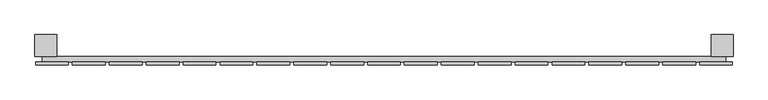
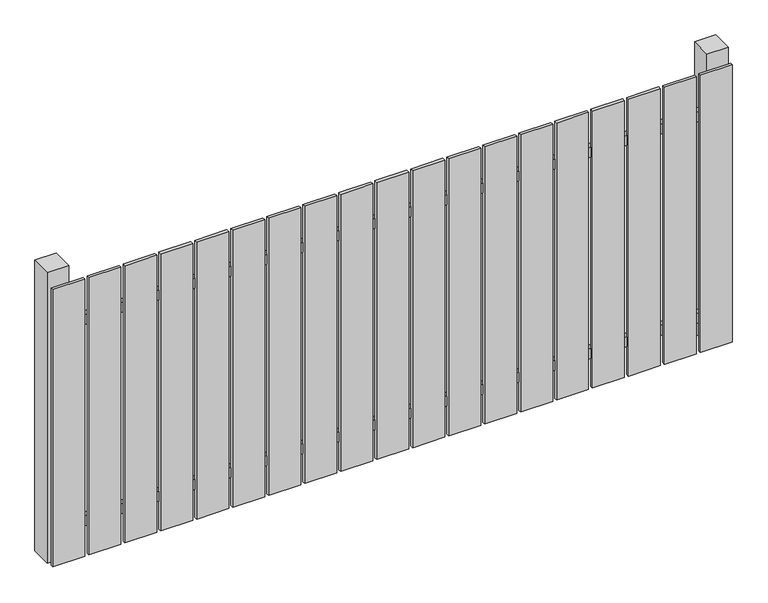
"""IFC4 building model written with IfcOpenShell, lengths in millimetres: railing geometry."""

from ifc_helpers import new_model, si_unit, frame, origin, origin_with_axes, place, context, project, spatial, polyline, outline, extrude, source, transform, mapped, element, save


def railing_3cb1c049(model_context):
    return source(origin(), model_context, "Body", "SweptSolid", [
        extrude(outline(polyline([(11087.4299228, -99439.0267127), (11087.4299228, -99419.0267127), (13587.4299228, -99419.0267127), (13587.4299228, -99439.0267127), (11087.4299228, -99439.0267127)])), frame((0.0, 0.0, 110.0), z_axis=(0.0, 0.0, 1.0), x_axis=(1.0, 0.0, 0.0)), (0.0, 0.0, 1.0), 40.0),
        extrude(outline(polyline([(11087.4299228, -99439.0267127), (11087.4299228, -99419.0267127), (13587.4299228, -99419.0267127), (13587.4299228, -99439.0267127), (11087.4299228, -99439.0267127)])), frame((0.0, 0.0, 910.0), z_axis=(0.0, 0.0, 1.0), x_axis=(1.0, 0.0, 0.0)), (0.0, 0.0, 1.0), 40.0),
        extrude(outline(polyline([(13492.4299228, -99450.5267127), (13492.4299228, -99439.5267127), (13612.4299228, -99439.5267127), (13612.4299228, -99450.5267127), (13492.4299228, -99450.5267127)])), origin_with_axes(), (0.0, 0.0, 1.0), 1100.0),
        extrude(outline(polyline([(13357.4299228, -99450.5267127), (13357.4299228, -99439.5267127), (13477.4299228, -99439.5267127), (13477.4299228, -99450.5267127), (13357.4299228, -99450.5267127)])), origin_with_axes(), (0.0, 0.0, 1.0), 1100.0),
        extrude(outline(polyline([(13222.4299228, -99450.5267127), (13222.4299228, -99439.5267127), (13342.4299228, -99439.5267127), (13342.4299228, -99450.5267127), (13222.4299228, -99450.5267127)])), origin_with_axes(), (0.0, 0.0, 1.0), 1100.0),
        extrude(outline(polyline([(13087.4299228, -99450.5267127), (13087.4299228, -99439.5267127), (13207.4299228, -99439.5267127), (13207.4299228, -99450.5267127), (13087.4299228, -99450.5267127)])), origin_with_axes(), (0.0, 0.0, 1.0), 1100.0),
        extrude(outline(polyline([(12952.4299228, -99450.5267127), (12952.4299228, -99439.5267127), (13072.4299228, -99439.5267127), (13072.4299228, -99450.5267127), (12952.4299228, -99450.5267127)])), origin_with_axes(), (0.0, 0.0, 1.0), 1100.0),
        extrude(outline(polyline([(12817.4299228, -99450.5267127), (12817.4299228, -99439.5267127), (12937.4299228, -99439.5267127), (12937.4299228, -99450.5267127), (12817.4299228, -99450.5267127)])), origin_with_axes(), (0.0, 0.0, 1.0), 1100.0),
        extrude(outline(polyline([(12682.4299228, -99450.5267127), (12682.4299228, -99439.5267127), (12802.4299228, -99439.5267127), (12802.4299228, -99450.5267127), (12682.4299228, -99450.5267127)])), origin_with_axes(), (0.0, 0.0, 1.0), 1100.0),
        extrude(outline(polyline([(12547.4299228, -99450.5267127), (12547.4299228, -99439.5267127), (12667.4299228, -99439.5267127), (12667.4299228, -99450.5267127), (12547.4299228, -99450.5267127)])), origin_with_axes(), (0.0, 0.0, 1.0), 1100.0),
        extrude(outline(polyline([(12412.4299228, -99450.5267127), (12412.4299228, -99439.5267127), (12532.4299228, -99439.5267127), (12532.4299228, -99450.5267127), (12412.4299228, -99450.5267127)])), origin_with_axes(), (0.0, 0.0, 1.0), 1100.0),
        extrude(outline(polyline([(12277.4299228, -99450.5267127), (12277.4299228, -99439.5267127), (12397.4299228, -99439.5267127), (12397.4299228, -99450.5267127), (12277.4299228, -99450.5267127)])), origin_with_axes(), (0.0, 0.0, 1.0), 1100.0),
        extrude(outline(polyline([(12142.4299228, -99450.5267127), (12142.4299228, -99439.5267127), (12262.4299228, -99439.5267127), (12262.4299228, -99450.5267127), (12142.4299228, -99450.5267127)])), origin_with_axes(), (0.0, 0.0, 1.0), 1100.0),
        extrude(outline(polyline([(12007.4299228, -99450.5267127), (12007.4299228, -99439.5267127), (12127.4299228, -99439.5267127), (12127.4299228, -99450.5267127), (12007.4299228, -99450.5267127)])), origin_with_axes(), (0.0, 0.0, 1.0), 1100.0),
        extrude(outline(polyline([(11872.4299228, -99450.5267127), (11872.4299228, -99439.5267127), (11992.4299228, -99439.5267127), (11992.4299228, -99450.5267127), (11872.4299228, -99450.5267127)])), origin_with_axes(), (0.0, 0.0, 1.0), 1100.0),
        extrude(outline(polyline([(11737.4299228, -99450.5267127), (11737.4299228, -99439.5267127), (11857.4299228, -99439.5267127), (11857.4299228, -99450.5267127), (11737.4299228, -99450.5267127)])), origin_with_axes(), (0.0, 0.0, 1.0), 1100.0),
        extrude(outline(polyline([(11602.4299228, -99450.5267127), (11602.4299228, -99439.5267127), (11722.4299228, -99439.5267127), (11722.4299228, -99450.5267127), (11602.4299228, -99450.5267127)])), origin_with_axes(), (0.0, 0.0, 1.0), 1100.0),
        extrude(outline(polyline([(11467.4299228, -99450.5267127), (11467.4299228, -99439.5267127), (11587.4299228, -99439.5267127), (11587.4299228, -99450.5267127), (11467.4299228, -99450.5267127)])), origin_with_axes(), (0.0, 0.0, 1.0), 1100.0),
        extrude(outline(polyline([(11332.4299228, -99450.5267127), (11332.4299228, -99439.5267127), (11452.4299228, -99439.5267127), (11452.4299228, -99450.5267127), (11332.4299228, -99450.5267127)])), origin_with_axes(), (0.0, 0.0, 1.0), 1100.0),
        extrude(outline(polyline([(11197.4299228, -99450.5267127), (11197.4299228, -99439.5267127), (11317.4299228, -99439.5267127), (11317.4299228, -99450.5267127), (11197.4299228, -99450.5267127)])), origin_with_axes(), (0.0, 0.0, 1.0), 1100.0),
        extrude(outline(polyline([(11062.4299228, -99450.5267127), (11062.4299228, -99439.5267127), (11182.4299228, -99439.5267127), (11182.4299228, -99450.5267127), (11062.4299228, -99450.5267127)])), origin_with_axes(), (0.0, 0.0, 1.0), 1100.0),
        extrude(outline(polyline([(13534.9299228, -99339.0267127), (13614.9299228, -99339.0267127), (13614.9299228, -99419.0267127), (13534.9299228, -99419.0267127), (13534.9299228, -99339.0267127)])), frame((0.0, 0.0, -4.0), z_axis=(0.0, 0.0, 1.0), x_axis=(1.0, 0.0, 0.0)), (0.0, 0.0, 1.0), 1154.0),
        extrude(outline(polyline([(11059.9299228, -99339.0267127), (11139.9299228, -99339.0267127), (11139.9299228, -99419.0267127), (11059.9299228, -99419.0267127), (11059.9299228, -99339.0267127)])), frame((0.0, 0.0, -4.0), z_axis=(0.0, 0.0, 1.0), x_axis=(1.0, 0.0, 0.0)), (0.0, 0.0, 1.0), 1154.0),
    ])


if __name__ == "__main__":
    model = new_model("IFC4")
    model_context = context("Model", 3, world=origin())
    ifc_project = project(units=[si_unit("LENGTHUNIT", "METRE", prefix="MILLI")], contexts=[model_context])
    site = spatial("IfcSite", under=ifc_project)
    building = spatial("IfcBuilding", under=site)
    placement = place(None, origin())
    railing_shape = railing_3cb1c049(model_context)
    element("IfcRailing", 1, at=placement, inside=building, context=model_context, shape_type="MappedRepresentation", body=[
        mapped(railing_shape, transform((0.0, 0.0, 0.0), x_axis=(1.0, 0.0, 0.0), y_axis=(0.0, 1.0, 0.0), z_axis=(0.0, 0.0, 1.0))),
    ])
    save(model, "model.ifc")
